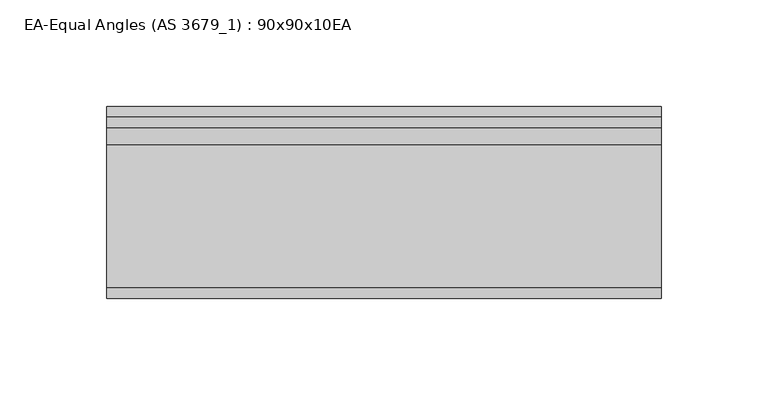
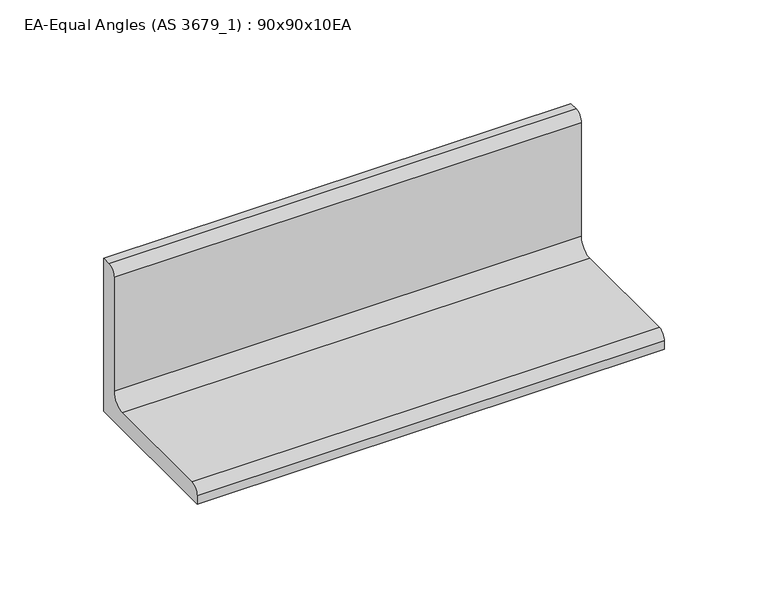
"""IFC4 building model written with IfcOpenShell, lengths in millimetres: beam geometry, EA-Equal Angles (AS 3679_1) : 90x90x10EA."""

from ifc_helpers import new_model, si_unit, point, frame, frame_2d, origin, place, context, project, spatial, polyline, circle_curve, trimmed, segment, composite_curve, outline, extrude, source, transform, mapped, element, save


def ea_equal_angles_as_3679_1_90x90x10ea_36abea5f(model_context):
    return source(origin(), model_context, "Body", "SweptSolid", [
        extrude(outline(composite_curve([segment(polyline([(25.7, -25.7), (-64.3, -25.7), (-64.3, -20.7)]), True, "CONTINUOUS"), segment(trimmed(circle_curve(frame_2d((-59.3, -20.7)), 5.0), [point((-64.3, -20.7))], [point((-59.3, -15.7))], False, "CARTESIAN"), True, "CONTINUOUS"), segment(polyline([(-59.3, -15.7), (7.7, -15.7)]), True, "CONTINUOUS"), segment(trimmed(circle_curve(frame_2d((7.7, -7.7)), 8.0), [point((7.7, -15.7))], [point((15.7, -7.7))], True, "CARTESIAN"), True, "CONTINUOUS"), segment(polyline([(15.7, -7.7), (15.7, 59.3)]), True, "CONTINUOUS"), segment(trimmed(circle_curve(frame_2d((20.7, 59.3)), 5.0), [point((15.7, 59.3))], [point((20.7, 64.3))], False, "CARTESIAN"), True, "CONTINUOUS"), segment(polyline([(20.7, 64.3), (25.7, 64.3), (25.7, -25.7)]), True, "CONTINUOUS")], self_intersect=False)), frame((-198.3, 0.0, 0.0), z_axis=(1.0, 0.0, 0.0), x_axis=(0.0, 1.0, 0.0)), (0.0, 0.0, 1.0), 260.1),
    ])


if __name__ == "__main__":
    model = new_model("IFC4")
    model_context = context("Model", 3, world=origin())
    ifc_project = project(units=[si_unit("LENGTHUNIT", "METRE", prefix="MILLI")], contexts=[model_context])
    site = spatial("IfcSite", under=ifc_project)
    building = spatial("IfcBuilding", under=site)
    placement = place(None, origin())
    ea_equal_angles_as_3679_1_90x90x10ea_shape = ea_equal_angles_as_3679_1_90x90x10ea_36abea5f(model_context)
    element("IfcBeam", 1, ObjectType="EA-Equal Angles (AS 3679_1) : 90x90x10EA", at=placement, inside=building, context=model_context, shape_type="MappedRepresentation", body=[
        mapped(ea_equal_angles_as_3679_1_90x90x10ea_shape, transform((0.0, 0.0, 0.0), x_axis=(1.0, 0.0, 0.0), y_axis=(0.0, 1.0, 0.0), z_axis=(0.0, 0.0, 1.0))),
    ])
    save(model, "model.ifc")
